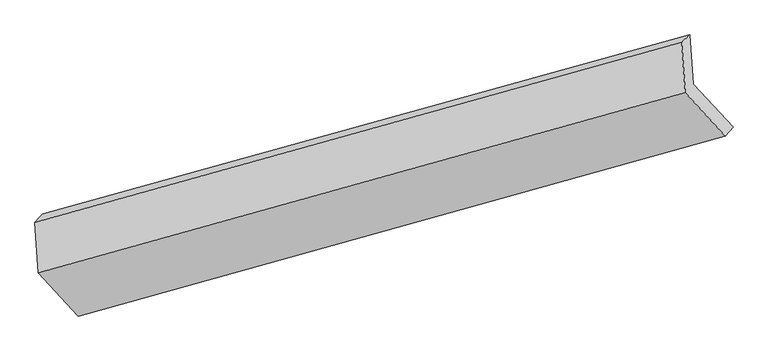
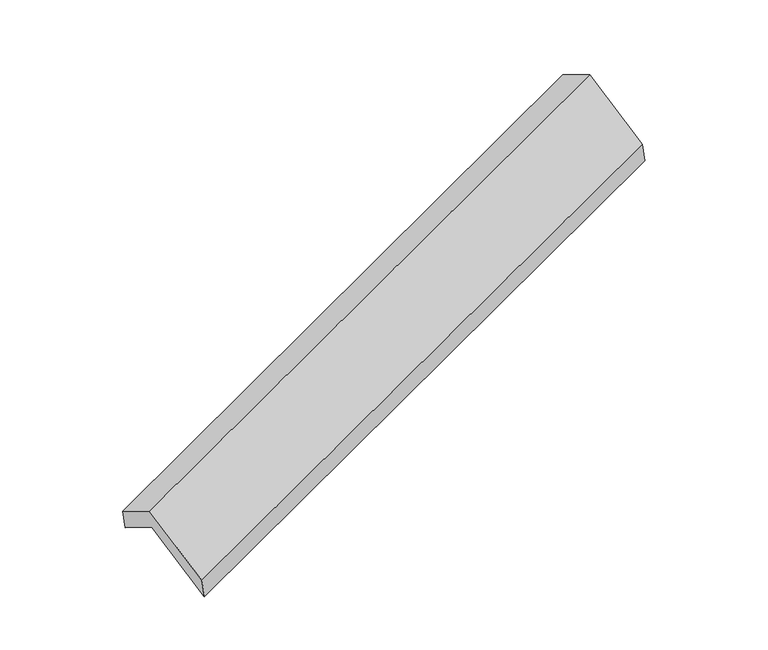
"""IFC4 building model written with IfcOpenShell, lengths in millimetres: proxy geometry."""

from ifc_helpers import new_model, si_unit, frame, origin, place, context, project, spatial, source, transform, mapped, element, save
from ifc_brep_helpers import plane_surface, spline_surface, advanced_brep


def generic_models_b524cd69(model_context):
    return source(origin(), model_context, "Body", "AdvancedBrep", [
        advanced_brep(
        [(-5084.1489248, -2097.8064113, 1288.9582398), (-5107.9202815, -1758.5095624, 1089.493015), (-769.3096698, -556.9133377, 2655.9273943), (-746.1411855, -887.6051799, 2850.3339232), (-5161.7975194, -1816.0143715, 1286.6626926), (-823.7897801, -605.8131402, 2848.0383759), (-5138.0261627, -2155.3112205, 1486.1279174), (-800.0184234, -945.1099891, 3047.5036008), (-4871.2122924, -2445.2430197, 961.1468153), (-533.204553, -1235.0417883, 2522.5224986), (-4817.3350545, -2387.7382105, 763.9771377), (-479.3273151, -1177.5369792, 2325.352821)],
        [
            (0, 1),
            (1, 2),
            (2, 3),
            (3, 0),
            (1, 4),
            (4, 5),
            (5, 2),
            (4, 6),
            (6, 7),
            (7, 5),
            (6, 8),
            (8, 9),
            (9, 7),
            (8, 10),
            (10, 11),
            (11, 9),
            (10, 0),
            (3, 11),
        ],
        [
            plane_surface(frame((-5096.0346032, -1928.1579869, 1189.2256274), z_axis=(0.41030493517618505, -0.440633823804177, -0.7984307693781449), x_axis=(-0.060287233507074864, 0.8605006696179478, -0.5058695949186184))),
            spline_surface(1, 1, [[(-5107.9202815, -1758.5095624, 1089.493015), (-769.3096698, -556.9133377, 2655.9273943)], [(-5161.7975194, -1816.0143715, 1286.6626926), (-823.7897801, -605.8131402, 2848.0383759)]], [2, 2], [2, 2], [0.0, 1.0], [0.0, 1.0]),
            plane_surface(frame((-5149.9118411, -1985.662796, 1386.395305), z_axis=(-0.4103049351761884, 0.44063382380417604, 0.7984307693781435), x_axis=(0.06028723350707456, -0.8605006696179478, 0.5058695949186184))),
            plane_surface(frame((-5004.6192275, -2300.2771201, 1223.6373663), z_axis=(0.05837448239961357, -0.8610313260989136, 0.5051905336414405), x_axis=(0.4064833016644839, -0.44170280521565997, -0.7997936967321991))),
            plane_surface(frame((-4844.2736734, -2416.4906151, 862.5619765), z_axis=(0.32447387730994887, -0.9282103145277784, -0.18205030883712117), x_axis=(0.2537389620952924, 0.27082328552484153, -0.928585638017482))),
            plane_surface(frame((-4950.7419896, -2242.7723109, 1026.4676888), z_axis=(-0.05837448239960863, 0.8610313260989075, -0.5051905336414517), x_axis=(-0.4064833016644925, 0.4417028052156696, 0.7997936967321895))),
            plane_surface(frame((-691.9651545, -901.3367357, 2708.279769), z_axis=(0.911667030743133, 0.25384489250655035, 0.3231501131120601), x_axis=(0.2537389620952924, 0.27082328552484153, -0.928585638017482))),
            plane_surface(frame((-5030.0733725, -2110.1037993, 1146.0609696), z_axis=(-0.9116670307431353, -0.2538448925065794, -0.3231501131120312), x_axis=(0.40648330166448216, -0.4417028052156706, -0.7997936967321942))),
        ],
        [
            (0, [[1, 2, 3, 4]]),
            (1, [[5, 6, 7, -2]]),
            (2, [[8, 9, 10, -6]]),
            (3, [[11, 12, 13, -9]]),
            (4, [[14, 15, 16, -12]]),
            (5, [[17, -4, 18, -15]]),
            (6, [[-16, -18, -3, -7, -10, -13]]),
            (7, [[-17, -14, -11, -8, -5, -1]]),
        ],
    ),
    ])


if __name__ == "__main__":
    model = new_model("IFC4")
    model_context = context("Model", 3, world=origin())
    ifc_project = project(units=[si_unit("LENGTHUNIT", "METRE", prefix="MILLI")], contexts=[model_context])
    site = spatial("IfcSite", under=ifc_project)
    building = spatial("IfcBuilding", under=site)
    placement = place(None, origin())
    generic_models_shape = generic_models_b524cd69(model_context)
    element("IfcBuildingElementProxy", 1, Name="Generic Models", at=placement, inside=building, context=model_context, shape_type="MappedRepresentation", body=[
        mapped(generic_models_shape, transform((0.0, 0.0, 0.0), x_axis=(1.0, 0.0, 0.0), y_axis=(0.0, 1.0, 0.0), z_axis=(0.0, 0.0, 1.0))),
    ])
    save(model, "model.ifc")
